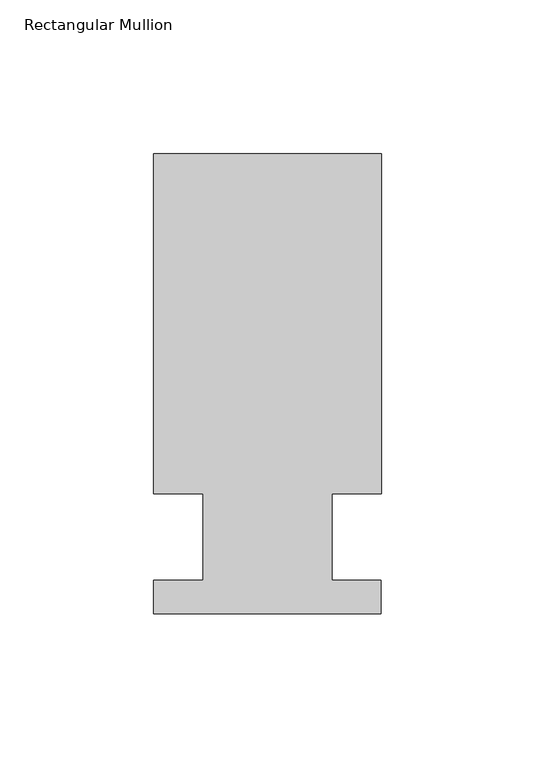
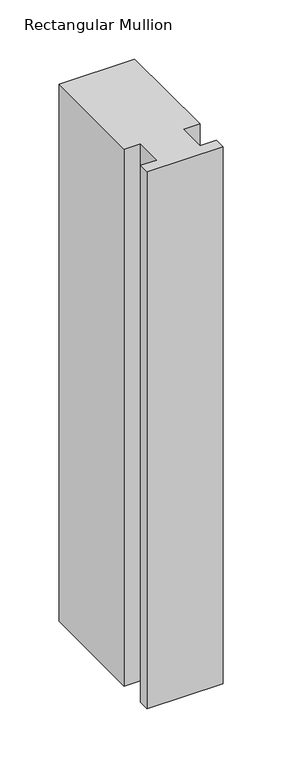
"""IFC4 building model written with IfcOpenShell, lengths in millimetres: member geometry, Rectangular Mullion."""

from ifc_helpers import new_model, si_unit, frame, origin, place, context, project, spatial, polyline, outline, extrude, source, transform, mapped, element, save


def rectangular_mullion_2a4013dc(model_context):
    return source(origin(), model_context, "Body", "SweptSolid", [
        extrude(outline(polyline([(-20.9800745, 13.9998907), (-37.0, 13.9998907), (-37.0, 124.5), (37.0, 124.5), (37.0, 13.9998907), (20.9800745, 13.9998907), (20.9800745, -14.0), (36.9800745, -14.0), (36.9800745, -25.0), (-37.0, -25.0), (-37.0, -14.0), (-20.9800745, -14.0), (-20.9800745, 13.9998907)])), frame((0.0, 0.0, -554.7727593), z_axis=(0.0, 0.0, 1.0), x_axis=(1.0, 0.0, 0.0)), (0.0, 0.0, 1.0), 554.7727593),
    ])


if __name__ == "__main__":
    model = new_model("IFC4")
    model_context = context("Model", 3, world=origin())
    ifc_project = project(units=[si_unit("LENGTHUNIT", "METRE", prefix="MILLI")], contexts=[model_context])
    site = spatial("IfcSite", under=ifc_project)
    building = spatial("IfcBuilding", under=site)
    placement = place(None, origin())
    rectangular_mullion_shape = rectangular_mullion_2a4013dc(model_context)
    element("IfcMember", 1, ObjectType="Rectangular Mullion", at=placement, inside=building, context=model_context, shape_type="MappedRepresentation", body=[
        mapped(rectangular_mullion_shape, transform((0.0, 0.0, 0.0), x_axis=(1.0, 0.0, 0.0), y_axis=(0.0, 1.0, 0.0), z_axis=(0.0, 0.0, 1.0))),
    ])
    save(model, "model.ifc")
